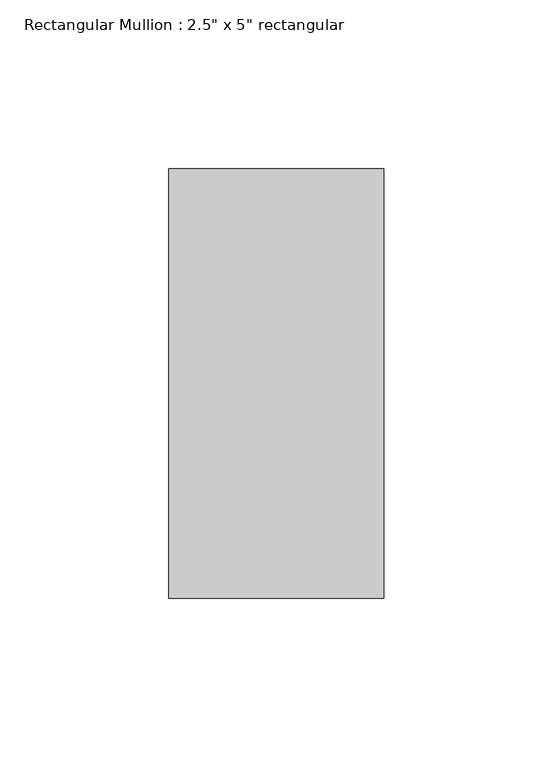
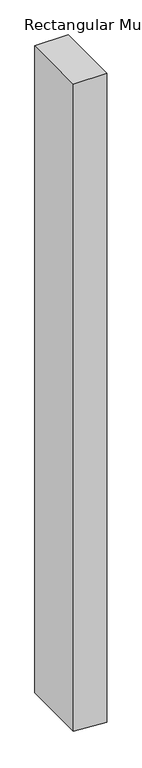
"""IFC4 building model written with IfcOpenShell, lengths in millimetres: member geometry."""

from ifc_helpers import new_model, si_unit, frame, origin, place, context, project, spatial, polyline, outline, extrude, source, transform, mapped, element, save


def member_ada4e6d6(model_context):
    return source(origin(), model_context, "Body", "SweptSolid", [
        extrude(outline(polyline([(0.0, 0.0), (0.0, -63.5), (-1303.9451913, -63.5), (-1307.9695289, 0.0), (0.0, 0.0)])), frame((0.0, -63.5, 0.0), z_axis=(0.0, 1.0, 0.0), x_axis=(0.0, 0.0, 1.0)), (0.0, 0.0, 1.0), 127.0),
    ])


if __name__ == "__main__":
    model = new_model("IFC4")
    model_context = context("Model", 3, world=origin())
    ifc_project = project(units=[si_unit("LENGTHUNIT", "METRE", prefix="MILLI")], contexts=[model_context])
    site = spatial("IfcSite", under=ifc_project)
    building = spatial("IfcBuilding", under=site)
    placement = place(None, origin())
    member_shape = member_ada4e6d6(model_context)
    element("IfcMember", 1, ObjectType="Rectangular Mullion : 2.5\" x 5\" rectangular", at=placement, inside=building, context=model_context, shape_type="MappedRepresentation", body=[
        mapped(member_shape, transform((0.0, 0.0, 0.0), x_axis=(1.0, 0.0, 0.0), y_axis=(0.0, 1.0, 0.0), z_axis=(0.0, 0.0, 1.0))),
    ])
    save(model, "model.ifc")
